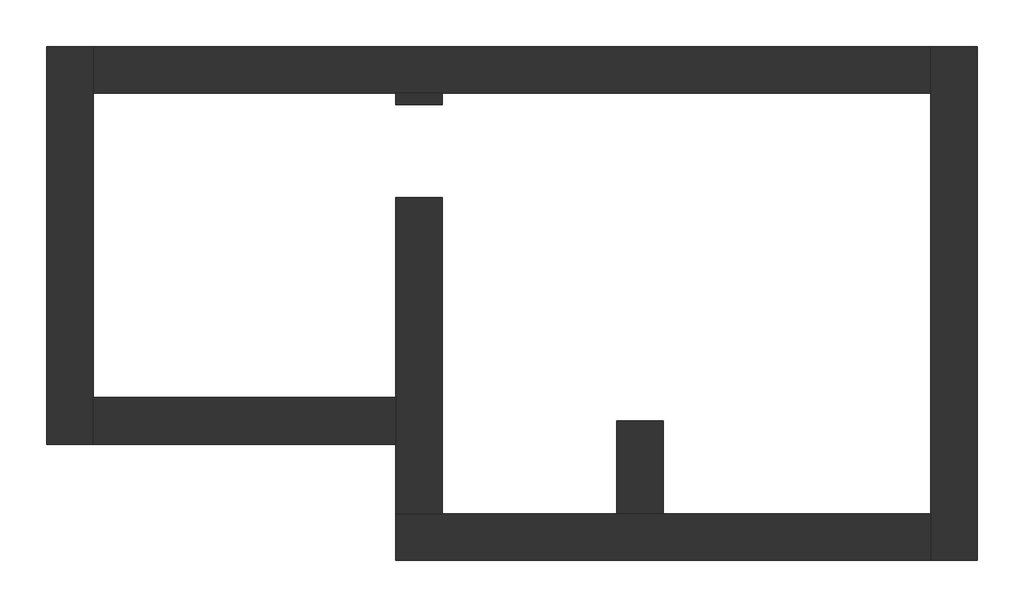
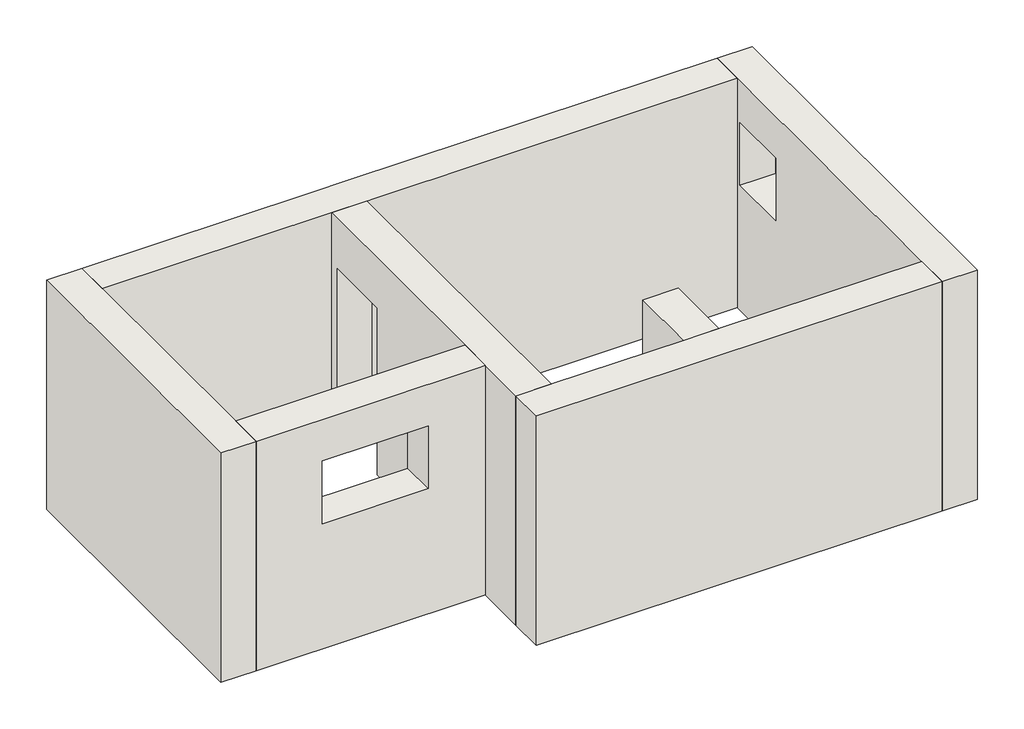
# One storey: 7 walls.
"""IFC4 building model written with IfcOpenShell, lengths in millimetres."""

from ifc_helpers import new_model, si_unit, frame, origin, place, context, project, spatial, polyline, outline, extrude, faceted_brep, element, save

model = new_model("IFC4")

# Units and contexts
model_context = context("Model", 3, world=origin())
ifc_project = project(units=[si_unit("LENGTHUNIT", "METRE", prefix="MILLI")], contexts=[model_context])

# Site, building, storey
site = spatial("IfcSite", under=ifc_project)
building = spatial("IfcBuilding", under=site)
storey = spatial("IfcBuildingStorey", under=building, Elevation=84250.0)

# Walls
placement = place(None, origin())
element("IfcWall", 1, at=placement, inside=storey, context=model_context, shape_type="Brep", body=[
    faceted_brep([(3670.244319, 1072.3430585, 87000.0), (3670.244319, 1072.3430585, 86050.0), (3670.244319, 1072.3430585, 84250.0), (3670.244319, 672.3430585, 84250.0), (3670.244319, -2947.6569415, 84250.0), (3670.244319, -3347.6569415, 84250.0), (3670.244319, -3347.6569415, 87000.0), (3670.244319, -2947.6569415, 87000.0), (3670.244319, 672.3430585, 87000.0), (3670.244319, 622.3430585, 86500.0), (3670.244319, -77.6569415, 86500.0), (3670.244319, -77.6569415, 85750.0), (3670.244319, 622.3430585, 85750.0), (4070.244319, 1072.3430585, 84250.0), (4070.244319, 1072.3430585, 86050.0), (4070.244319, 1072.3430585, 87000.0), (4070.244319, -3347.6569415, 87000.0), (4070.244319, -3347.6569415, 84250.0), (4070.244319, 622.3430585, 86500.0), (4070.244319, 622.3430585, 85750.0), (4070.244319, -77.6569415, 85750.0), (4070.244319, -77.6569415, 86500.0)], [[[0, 1, 2, 3, 4, 5, 6, 7, 8], [9, 10, 11, 12]], [[13, 14, 15, 16, 17], [18, 19, 20, 21]], [[5, 4, 3, 2, 13, 17]], [[0, 8, 7, 6, 16, 15]], [[6, 5, 17, 16]], [[0, 15, 14, 13, 2, 1]], [[19, 18, 9, 12]], [[20, 19, 12, 11]], [[21, 20, 11, 10]], [[18, 21, 10, 9]]]),
])
element("IfcWall", 2, at=placement, inside=storey, context=model_context, shape_type="Brep", body=[
    faceted_brep([(3670.244319, -2947.6569415, 84250.0), (1370.244319, -2947.6569415, 84250.0), (970.244319, -2947.6569415, 84250.0), (-529.755681, -2947.6569415, 84250.0), (-929.755681, -2947.6569415, 84250.0), (-929.755681, -2947.6569415, 87000.0), (-529.755681, -2947.6569415, 87000.0), (970.244319, -2947.6569415, 87000.0), (1370.244319, -2947.6569415, 87000.0), (3670.244319, -2947.6569415, 87000.0), (3670.244319, -2947.6569415, 84400.0), (3670.244319, -3347.6569415, 84250.0), (3670.244319, -3347.6569415, 87000.0), (-929.755681, -3347.6569415, 87000.0), (-929.755681, -3347.6569415, 84250.0)], [[[0, 1, 2, 3, 4, 5, 6, 7, 8, 9, 10]], [[11, 12, 13, 14]], [[4, 3, 2, 1, 0, 11, 14]], [[9, 8, 7, 6, 5, 13, 12]], [[0, 10, 9, 12, 11]], [[5, 4, 14, 13]]]),
])
element("IfcWall", 3, at=placement, inside=storey, context=model_context, shape_type="Brep", body=[
    faceted_brep([(-529.755681, 672.3430585, 87000.0), (-529.755681, -2947.6569415, 87000.0), (-529.755681, -2947.6569415, 84400.0), (-529.755681, -2947.6569415, 84250.0), (-529.755681, -1947.6569415, 84250.0), (-529.755681, -1947.6569415, 84400.0), (-529.755681, -227.6569415, 84400.0), (-529.755681, -227.6569415, 86400.0), (-529.755681, 572.3430585, 86400.0), (-529.755681, 572.3430585, 84400.0), (-529.755681, 672.3430585, 84400.0), (-929.755681, -2947.6569415, 87000.0), (-929.755681, -2347.6569415, 87000.0), (-929.755681, -1947.6569415, 87000.0), (-929.755681, 672.3430585, 87000.0), (-929.755681, 672.3430585, 84400.0), (-929.755681, 572.3430585, 84400.0), (-929.755681, 572.3430585, 86400.0), (-929.755681, -227.6569415, 86400.0), (-929.755681, -227.6569415, 84400.0), (-929.755681, -1947.6569415, 84400.0), (-929.755681, -1947.6569415, 84250.0), (-929.755681, -2347.6569415, 84250.0), (-929.755681, -2947.6569415, 84250.0)], [[[0, 1, 2, 3, 4, 5, 6, 7, 8, 9, 10]], [[11, 12, 13, 14, 15, 16, 17, 18, 19, 20, 21, 22, 23]], [[3, 23, 22, 21, 4]], [[1, 0, 14, 13, 12, 11]], [[14, 0, 10, 15]], [[17, 16, 9, 8]], [[18, 17, 8, 7]], [[19, 18, 7, 6]], [[10, 9, 16, 15]], [[5, 20, 19, 6]], [[20, 5, 4, 21]], [[1, 11, 23, 3, 2]]]),
])
element("IfcWall", 4, at=placement, inside=storey, context=model_context, shape_type="Brep", body=[
    faceted_brep([(-3929.755681, 1072.3430585, 87000.0), (-3929.755681, 1072.3430585, 86050.0), (-3929.755681, 1072.3430585, 84250.0), (-3929.755681, -2347.6569415, 84250.0), (-3929.755681, -2347.6569415, 87000.0), (-3529.755681, 1072.3430585, 84250.0), (-3529.755681, 1072.3430585, 86050.0), (-3529.755681, 1072.3430585, 87000.0), (-3529.755681, 672.3430585, 87000.0), (-3529.755681, -1947.6569415, 87000.0), (-3529.755681, -2347.6569415, 87000.0), (-3529.755681, -2347.6569415, 84250.0), (-3529.755681, -1947.6569415, 84250.0), (-3529.755681, 672.3430585, 84250.0)], [[[0, 1, 2, 3, 4]], [[5, 6, 7, 8, 9, 10, 11, 12, 13]], [[3, 2, 5, 13, 12, 11]], [[0, 4, 10, 9, 8, 7]], [[4, 3, 11, 10]], [[0, 7, 6, 5, 2, 1]]]),
])
element("IfcWall", 5, at=placement, inside=storey, context=model_context, shape_type="Brep", body=[
    faceted_brep([(-3529.755681, -2347.6569415, 84250.0), (-929.755681, -2347.6569415, 84250.0), (-929.755681, -2347.6569415, 87000.0), (-3529.755681, -2347.6569415, 87000.0), (-1579.755681, -2347.6569415, 86500.0), (-1579.755681, -2347.6569415, 85750.0), (-2779.755681, -2347.6569415, 85750.0), (-2779.755681, -2347.6569415, 86500.0), (-929.755681, -1947.6569415, 84250.0), (-3529.755681, -1947.6569415, 84250.0), (-3529.755681, -1947.6569415, 84400.0), (-3529.755681, -1947.6569415, 87000.0), (-929.755681, -1947.6569415, 87000.0), (-929.755681, -1947.6569415, 84400.0), (-1579.755681, -1947.6569415, 85750.0), (-1579.755681, -1947.6569415, 86500.0), (-2779.755681, -1947.6569415, 86500.0), (-2779.755681, -1947.6569415, 85750.0)], [[[0, 1, 2, 3], [4, 5, 6, 7]], [[8, 9, 10, 11, 12, 13], [14, 15, 16, 17]], [[1, 0, 9, 8]], [[3, 2, 12, 11]], [[0, 3, 11, 10, 9]], [[2, 1, 8, 13, 12]], [[5, 4, 15, 14]], [[6, 5, 14, 17]], [[7, 6, 17, 16]], [[4, 7, 16, 15]]]),
])
element("IfcWall", 6, at=placement, inside=storey, context=model_context, shape_type="Brep", body=[
    faceted_brep([(-3529.755681, 672.3430585, 87000.0), (-3529.755681, 672.3430585, 84400.0), (-3529.755681, 672.3430585, 84250.0), (-929.755681, 672.3430585, 84250.0), (-529.755681, 672.3430585, 84250.0), (3670.244319, 672.3430585, 84250.0), (3670.244319, 672.3430585, 84400.0), (3670.244319, 672.3430585, 87000.0), (-529.755681, 672.3430585, 87000.0), (-929.755681, 672.3430585, 87000.0), (-3529.755681, 1072.3430585, 84250.0), (-3529.755681, 1072.3430585, 87000.0), (-929.755681, 1072.3430585, 87000.0), (-529.755681, 1072.3430585, 87000.0), (3670.244319, 1072.3430585, 87000.0), (3670.244319, 1072.3430585, 84250.0)], [[[0, 1, 2, 3, 4, 5, 6, 7, 8, 9]], [[10, 11, 12, 13, 14, 15]], [[5, 4, 3, 2, 10, 15]], [[0, 9, 8, 7, 14, 13, 12, 11]], [[0, 11, 10, 2, 1]], [[5, 15, 14, 7, 6]]]),
])
element("IfcWall", 7, at=placement, inside=storey, context=model_context, shape_type="SweptSolid", body=[
    extrude(outline(polyline([(1370.244319, -2147.6569415), (1370.244319, -2947.6569415), (970.244319, -2947.6569415), (970.244319, -2147.6569415), (1370.244319, -2147.6569415)])), frame((0.0, 0.0, 84250.0), z_axis=(0.0, 0.0, 1.0), x_axis=(1.0, 0.0, 0.0)), (0.0, 0.0, 1.0), 2750.0),
])

save(model, "model.ifc")
